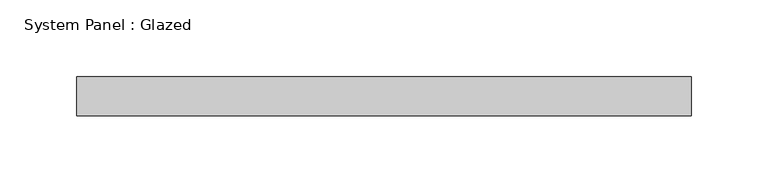
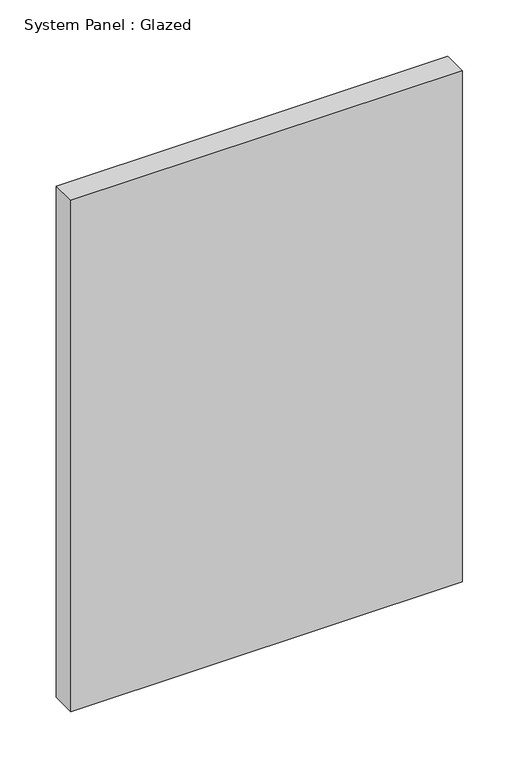
"""IFC4 building model written with IfcOpenShell, lengths in millimetres: plate geometry, System Panel : Glazed."""

from ifc_helpers import new_model, si_unit, origin, origin_with_axes, place, context, project, spatial, polyline, outline, extrude, source, transform, mapped, element, save


def system_panel_glazed_bd55632b(model_context):
    return source(origin(), model_context, "Body", "SweptSolid", [
        extrude(outline(polyline([(200.025, -12.7), (-200.025, -12.7), (-200.025, 12.7), (200.025, 12.7), (200.025, -12.7)])), origin_with_axes(), (0.0, 0.0, 1.0), 552.45),
    ])


if __name__ == "__main__":
    model = new_model("IFC4")
    model_context = context("Model", 3, world=origin())
    ifc_project = project(units=[si_unit("LENGTHUNIT", "METRE", prefix="MILLI")], contexts=[model_context])
    site = spatial("IfcSite", under=ifc_project)
    building = spatial("IfcBuilding", under=site)
    placement = place(None, origin())
    system_panel_glazed_shape = system_panel_glazed_bd55632b(model_context)
    element("IfcPlate", 1, ObjectType="System Panel : Glazed", at=placement, inside=building, context=model_context, shape_type="MappedRepresentation", body=[
        mapped(system_panel_glazed_shape, transform((0.0, 0.0, 0.0), x_axis=(1.0, 0.0, 0.0), y_axis=(0.0, 1.0, 0.0), z_axis=(0.0, 0.0, 1.0))),
    ])
    save(model, "model.ifc")
